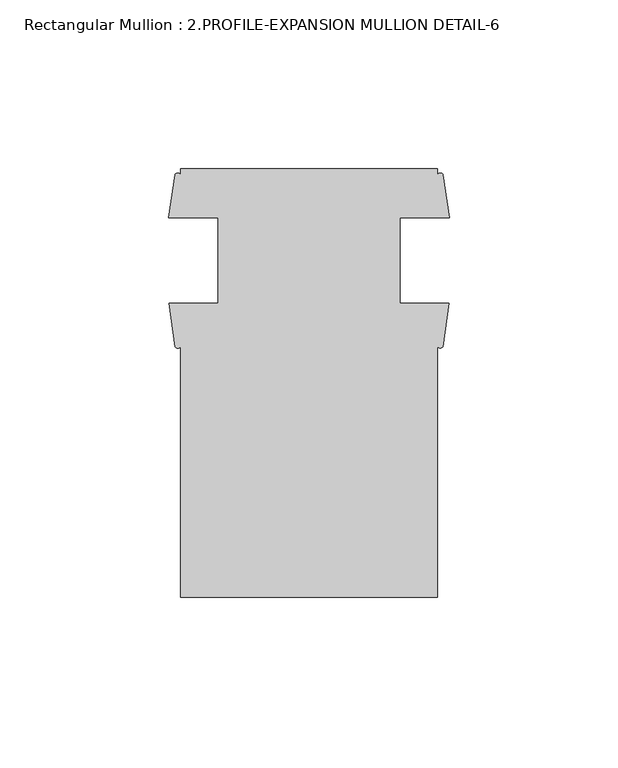
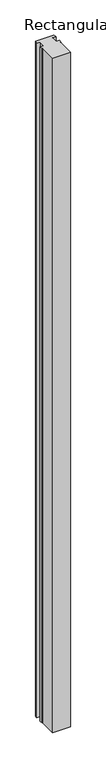
"""IFC4 building model written with IfcOpenShell, lengths in millimetres: member geometry, Rectangular Mullion : 2.PROFILE-EXPANSION MULLION DETAIL-6."""

from ifc_helpers import new_model, si_unit, point, frame, frame_2d, origin, place, context, project, spatial, polyline, circle_curve, trimmed, segment, composite_curve, outline, extrude, source, transform, mapped, element, save


def rectangular_mullion_2_profile_expansion_mullion_detail_6_8c61017d(model_context):
    return source(origin(), model_context, "Body", "SweptSolid", [
        extrude(outline(composite_curve([segment(polyline([(-79.7194629, -64.5710579), (-79.7194629, 9.7541295)]), True, "CONTINUOUS"), segment(trimmed(circle_curve(frame_2d((-80.512411, 10.151501)), 0.8869447), [point((-79.7194629, 9.7541295))], [point((-81.3053591, 9.7541295))], False, "CARTESIAN"), True, "CONTINUOUS"), segment(polyline([(-81.3053591, 9.7541295), (-83.1154629, 22.525417), (-68.6069629, 22.525417), (-68.6069629, 47.925417), (-83.2389846, 47.925417), (-81.3828673, 60.6984698)]), True, "CONTINUOUS"), segment(trimmed(circle_curve(frame_2d((-80.5511651, 60.1055273)), 1.0214252), [point((-81.3828673, 60.6984698))], [point((-79.7194629, 60.6984698))], False, "CARTESIAN"), True, "CONTINUOUS"), segment(polyline([(-79.7194629, 60.6984698), (-79.7194629, 62.4289421), (-3.5195217, 62.4289421), (-3.5195217, 60.625417)]), True, "CONTINUOUS"), segment(trimmed(circle_curve(frame_2d((-2.6825117, 60.2487201)), 0.9178706), [point((-3.5195217, 60.625417))], [point((-1.8455017, 60.625417))], False, "CARTESIAN"), True, "CONTINUOUS"), segment(polyline([(-1.8455017, 60.625417), (0.0, 47.925417), (-14.6319629, 47.925417), (-14.6319629, 22.525417), (-0.1235217, 22.525417), (-1.9336255, 9.7541295)]), True, "CONTINUOUS"), segment(trimmed(circle_curve(frame_2d((-2.7265736, 10.2039302)), 0.91164), [point((-1.9336255, 9.7541295))], [point((-3.5195217, 9.7541295))], False, "CARTESIAN"), True, "CONTINUOUS"), segment(polyline([(-3.5195217, 9.7541295), (-3.5195217, -64.5710579), (-79.7194629, -64.5710579)]), True, "CONTINUOUS")], self_intersect=False)), frame((0.0, 0.0, -3048.0), z_axis=(0.0, 0.0, 1.0), x_axis=(1.0, 0.0, 0.0)), (0.0, 0.0, 1.0), 3048.0),
    ])


if __name__ == "__main__":
    model = new_model("IFC4")
    model_context = context("Model", 3, world=origin())
    ifc_project = project(units=[si_unit("LENGTHUNIT", "METRE", prefix="MILLI")], contexts=[model_context])
    site = spatial("IfcSite", under=ifc_project)
    building = spatial("IfcBuilding", under=site)
    placement = place(None, origin())
    rectangular_mullion_2_profile_expansion_mullion_detail_6_shape = rectangular_mullion_2_profile_expansion_mullion_detail_6_8c61017d(model_context)
    element("IfcMember", 1, ObjectType="Rectangular Mullion : 2.PROFILE-EXPANSION MULLION DETAIL-6", at=placement, inside=building, context=model_context, shape_type="MappedRepresentation", body=[
        mapped(rectangular_mullion_2_profile_expansion_mullion_detail_6_shape, transform((0.0, 0.0, 0.0), x_axis=(1.0, 0.0, 0.0), y_axis=(0.0, 1.0, 0.0), z_axis=(0.0, 0.0, 1.0))),
    ])
    save(model, "model.ifc")
